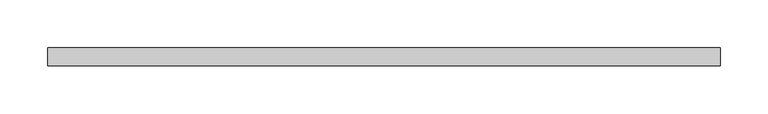
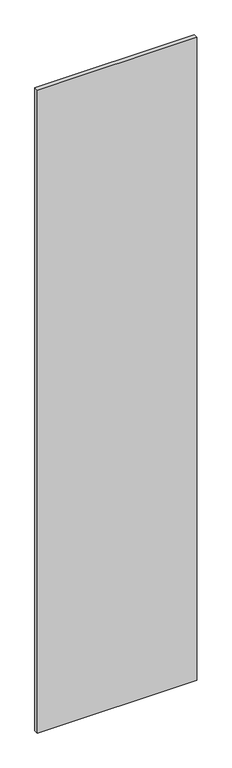
"""IFC4 building model written with IfcOpenShell, lengths in millimetres: proxy geometry."""

from ifc_helpers import new_model, si_unit, frame, origin, place, context, project, spatial, polyline, outline, extrude, source, transform, mapped, element, save


def specialty_equipment_0bfe5d2f(model_context):
    return source(origin(), model_context, "Body", "SweptSolid", [
        extrude(outline(polyline([(353.7204, 9.525), (353.7204, -9.525), (-353.7204, -9.525), (-353.7204, 9.525), (353.7204, 9.525)])), frame((0.0, 0.0, 3.175), z_axis=(0.0, 0.0, 1.0), x_axis=(1.0, 0.0, 0.0)), (0.0, 0.0, 1.0), 3013.075),
    ])


if __name__ == "__main__":
    model = new_model("IFC4")
    model_context = context("Model", 3, world=origin())
    ifc_project = project(units=[si_unit("LENGTHUNIT", "METRE", prefix="MILLI")], contexts=[model_context])
    site = spatial("IfcSite", under=ifc_project)
    building = spatial("IfcBuilding", under=site)
    placement = place(None, origin())
    specialty_equipment_shape = specialty_equipment_0bfe5d2f(model_context)
    element("IfcBuildingElementProxy", 1, Name="Specialty Equipment", at=placement, inside=building, context=model_context, shape_type="MappedRepresentation", body=[
        mapped(specialty_equipment_shape, transform((0.0, 0.0, 0.0), x_axis=(1.0, 0.0, 0.0), y_axis=(0.0, 1.0, 0.0), z_axis=(0.0, 0.0, 1.0))),
    ])
    save(model, "model.ifc")
